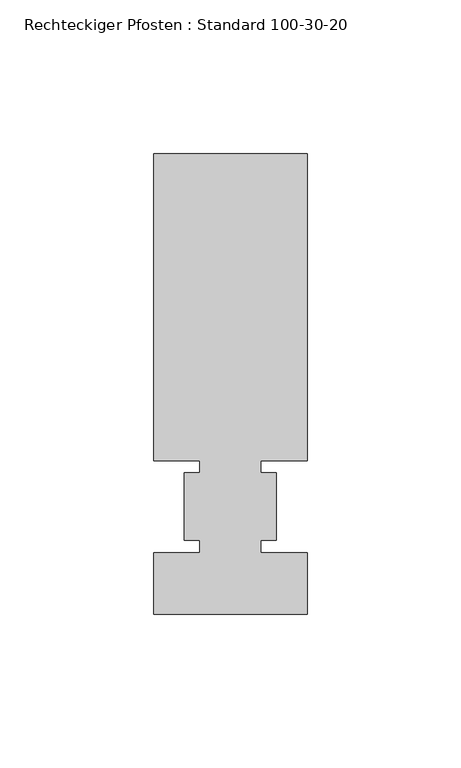
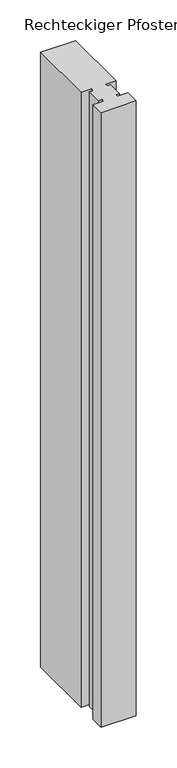
"""IFC4 building model written with IfcOpenShell, lengths in millimetres: member geometry, Rechteckiger Pfosten : Standard 100-30-20."""

from ifc_helpers import new_model, si_unit, frame, origin, place, context, project, spatial, polyline, outline, extrude, source, transform, mapped, element, save


def rechteckiger_pfosten_standard_100_30_20_a11cfcdf(model_context):
    return source(origin(), model_context, "Body", "SweptSolid", [
        extrude(outline(polyline([(0.0, 115.0), (0.0, 15.0), (-15.0, 15.0), (-15.0, 11.0), (-10.0, 11.0), (-10.0, -11.0), (-15.0, -11.0), (-15.0, -15.0), (0.0, -15.0), (0.0, -35.0), (-50.0, -35.0), (-50.0, -15.0), (-35.0, -15.0), (-35.0, -11.0), (-40.0, -11.0), (-40.0, 11.0), (-35.0, 11.0), (-35.0, 15.0), (-50.0, 15.0), (-50.0, 115.0), (0.0, 115.0)])), frame((0.0, 0.0, -925.7142856), z_axis=(0.0, 0.0, 1.0), x_axis=(1.0, 0.0, 0.0)), (0.0, 0.0, 1.0), 925.7142856),
    ])


if __name__ == "__main__":
    model = new_model("IFC4")
    model_context = context("Model", 3, world=origin())
    ifc_project = project(units=[si_unit("LENGTHUNIT", "METRE", prefix="MILLI")], contexts=[model_context])
    site = spatial("IfcSite", under=ifc_project)
    building = spatial("IfcBuilding", under=site)
    placement = place(None, origin())
    rechteckiger_pfosten_standard_100_30_20_shape = rechteckiger_pfosten_standard_100_30_20_a11cfcdf(model_context)
    element("IfcMember", 1, ObjectType="Rechteckiger Pfosten : Standard 100-30-20", at=placement, inside=building, context=model_context, shape_type="MappedRepresentation", body=[
        mapped(rechteckiger_pfosten_standard_100_30_20_shape, transform((0.0, 0.0, 0.0), x_axis=(1.0, 0.0, 0.0), y_axis=(0.0, 1.0, 0.0), z_axis=(0.0, 0.0, 1.0))),
    ])
    save(model, "model.ifc")
